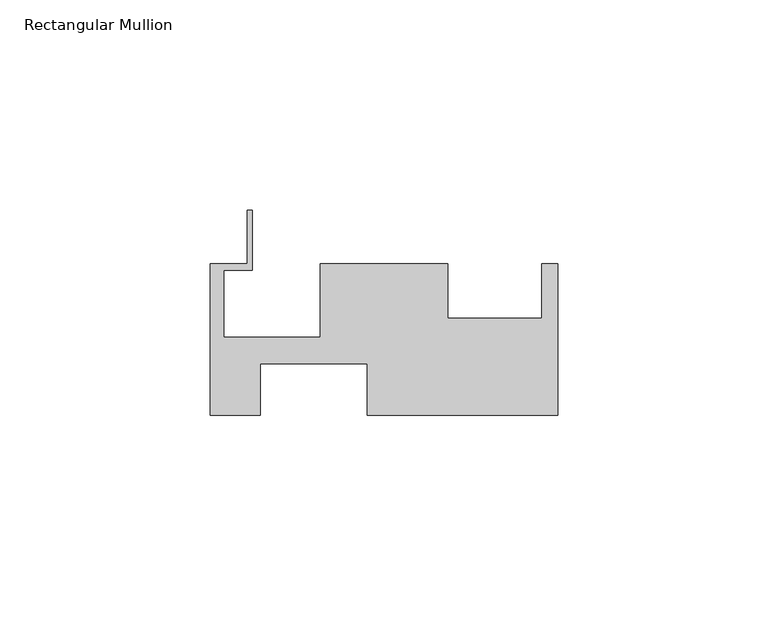
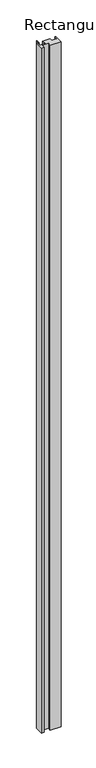
"""IFC4 building model written with IfcOpenShell, lengths in millimetres: member geometry, Rectangular Mullion."""

from ifc_helpers import new_model, si_unit, frame, origin, place, context, project, spatial, polyline, outline, extrude, source, transform, mapped, element, save


def rectangular_mullion_48d04d6e(model_context):
    return source(origin(), model_context, "Body", "SweptSolid", [
        extrude(outline(polyline([(-82.55, 20.2536372), (-73.8124, 20.2536372), (-73.8124, 32.9536372), (-72.5424, 32.9536372), (-72.5424, 18.6788372), (-79.375, 18.6788372), (-79.375, 2.8292372), (-56.4388, 2.8292372), (-56.4388, 20.2536268), (-26.1112, 20.2536268), (-26.1112, 7.3250372), (-3.7338, 7.3250372), (-3.7338, 20.2536372), (0.0, 20.2536372), (0.0, -15.7381628), (-45.3136, -15.7381628), (-45.3136, -3.5207628), (-70.7136, -3.5207628), (-70.7136, -15.7381628), (-82.55, -15.7381628), (-82.55, 20.2536372)])), frame((0.0, 0.0, -3048.0), z_axis=(0.0, 0.0, 1.0), x_axis=(1.0, 0.0, 0.0)), (0.0, 0.0, 1.0), 3048.0),
    ])


if __name__ == "__main__":
    model = new_model("IFC4")
    model_context = context("Model", 3, world=origin())
    ifc_project = project(units=[si_unit("LENGTHUNIT", "METRE", prefix="MILLI")], contexts=[model_context])
    site = spatial("IfcSite", under=ifc_project)
    building = spatial("IfcBuilding", under=site)
    placement = place(None, origin())
    rectangular_mullion_shape = rectangular_mullion_48d04d6e(model_context)
    element("IfcMember", 1, ObjectType="Rectangular Mullion", at=placement, inside=building, context=model_context, shape_type="MappedRepresentation", body=[
        mapped(rectangular_mullion_shape, transform((0.0, 0.0, 0.0), x_axis=(1.0, 0.0, 0.0), y_axis=(0.0, 1.0, 0.0), z_axis=(0.0, 0.0, 1.0))),
    ])
    save(model, "model.ifc")
